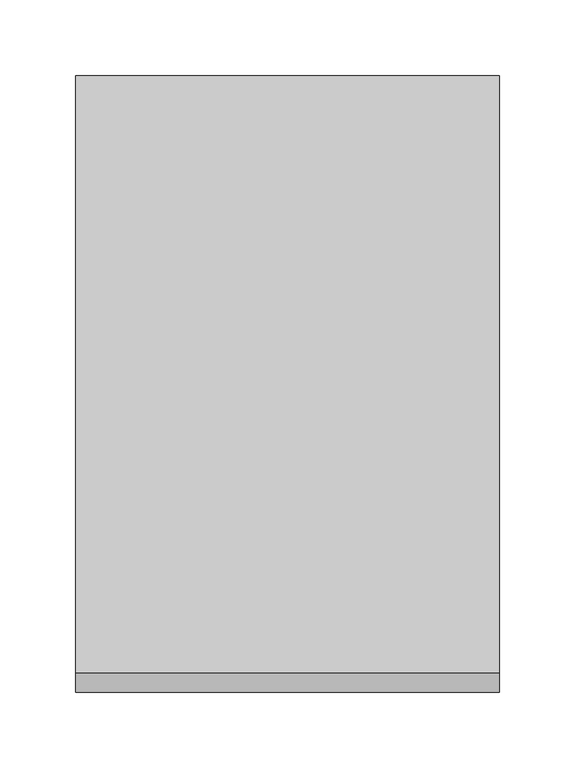
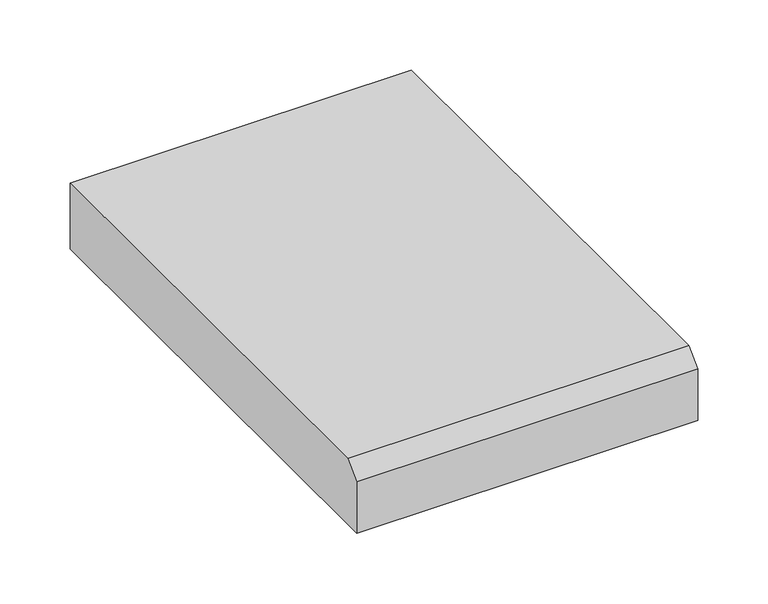
"""IFC4 building model written with IfcOpenShell, lengths in millimetres: proxy geometry."""

from ifc_helpers import new_model, si_unit, frame, origin, place, context, project, spatial, polyline, outline, extrude, source, transform, mapped, element, save


def generic_models_cd745508(model_context):
    return source(origin(), model_context, "Body", "SweptSolid", [
        extrude(outline(polyline([(-406.4, 0.0), (-406.4, 44.45), (-393.7, 57.15), (0.0, 57.15), (0.0, 0.0), (-406.4, 0.0)])), frame((0.0, 0.0, 0.0), z_axis=(1.0, 0.0, 0.0), x_axis=(0.0, 1.0, 0.0)), (0.0, 0.0, 1.0), 279.4),
    ])


if __name__ == "__main__":
    model = new_model("IFC4")
    model_context = context("Model", 3, world=origin())
    ifc_project = project(units=[si_unit("LENGTHUNIT", "METRE", prefix="MILLI")], contexts=[model_context])
    site = spatial("IfcSite", under=ifc_project)
    building = spatial("IfcBuilding", under=site)
    placement = place(None, origin())
    generic_models_shape = generic_models_cd745508(model_context)
    element("IfcBuildingElementProxy", 1, Name="Generic Models", at=placement, inside=building, context=model_context, shape_type="MappedRepresentation", body=[
        mapped(generic_models_shape, transform((0.0, 0.0, 0.0), x_axis=(1.0, 0.0, 0.0), y_axis=(0.0, 1.0, 0.0), z_axis=(0.0, 0.0, 1.0))),
    ])
    save(model, "model.ifc")
